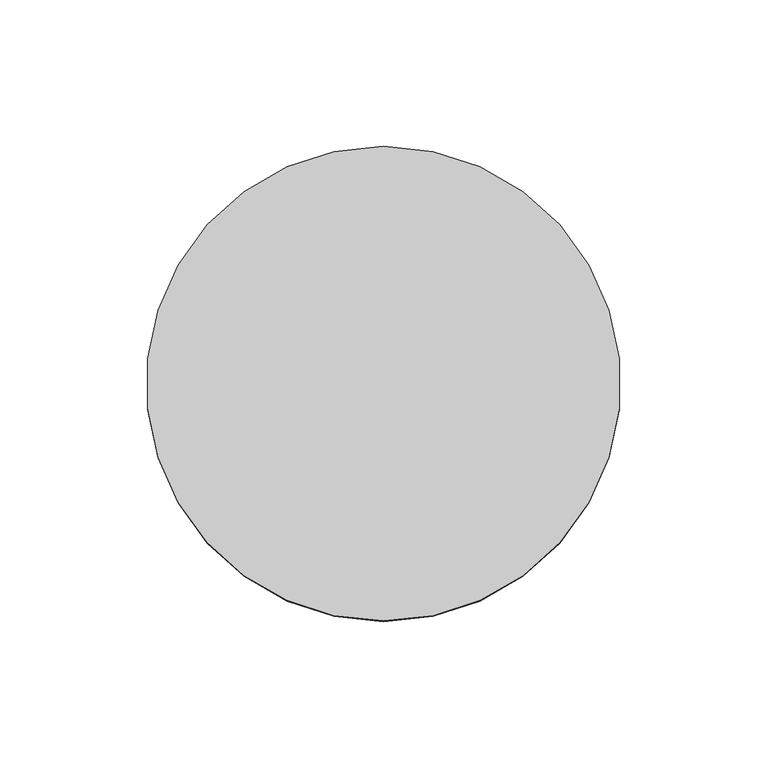
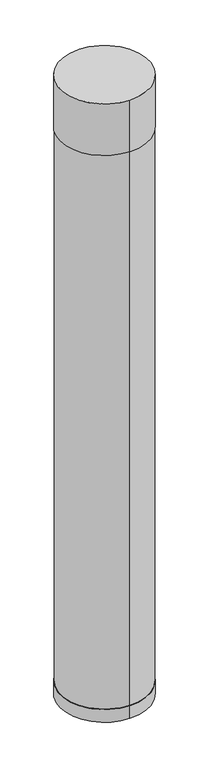
"""IFC4 building model written with IfcOpenShell, lengths in millimetres: light fixture geometry."""

import ifcopenshell
import ifcopenshell.guid

model = None  # the IFC model being written
_history = None  # IfcOwnerHistory: only IFC2X3 demands one
_inside = {}  # id of a spatial element -> (the spatial element, [elements in it])
_under = {}  # id of a project, library or spatial element -> (it, [spatial elements below it])
_declared = {}  # id of a project -> (the project, [libraries it declares])
_typed = {}  # id of a type object -> (the type object, [elements of that type])
_made_of = {}  # id of a material, layer set ... -> (it, [elements and type objects made of it])


def new_model(schema):
    """Start an empty IFC model of exactly this schema.

    Asked for "IFC4X3", IfcOpenShell would pick the latest addendum, in which some entities
    have other attributes; the version numbers below select the first issue.
    IFC2X3 requires an IfcOwnerHistory on every rooted entity: one is made here for all.
    """
    global model, _history
    if schema == "IFC4X3":
        model = ifcopenshell.file(schema_version=(4, 3, 0, 0))
    else:
        model = ifcopenshell.file(schema=schema)
    _inside.clear()
    _under.clear()
    _declared.clear()
    _typed.clear()
    _made_of.clear()
    _history = None
    if model.schema == "IFC2X3":
        org = make("IfcOrganization", Name="unknown")
        user = make(
            "IfcPersonAndOrganization",
            ThePerson=make("IfcPerson", FamilyName="unknown"),
            TheOrganization=org,
        )
        app = make(
            "IfcApplication",
            ApplicationDeveloper=org,
            Version="unknown",
            ApplicationFullName="unknown",
            ApplicationIdentifier="unknown",
        )
        _history = make(
            "IfcOwnerHistory",
            OwningUser=user,
            OwningApplication=app,
            ChangeAction="ADDED",
            CreationDate=0,
        )
    return model


def make(cls, **values):
    """One entity of the class cls with the attributes given. An attribute that is None is left unset."""
    return model.create_entity(
        cls, **{name: value for name, value in values.items() if value is not None}
    )


def rooted(cls, **values):
    """An entity with a GlobalId (a new one), such as an element, a storey or a relation."""
    return make(cls, GlobalId=ifcopenshell.guid.new(), OwnerHistory=_history, **values)


def si_unit(unit_type, name, prefix=None):
    """IfcSIUnit, for example si_unit("LENGTHUNIT", "METRE", prefix="MILLI")."""
    return make("IfcSIUnit", UnitType=unit_type, Prefix=prefix, Name=name)


def assignment(units):
    """IfcUnitAssignment: the units of a project."""
    return None if units is None else make("IfcUnitAssignment", Units=units)


def point(xyz):
    """IfcCartesianPoint."""
    return None if xyz is None else make("IfcCartesianPoint", Coordinates=xyz)


def direction(xyz):
    """IfcDirection."""
    return None if xyz is None else make("IfcDirection", DirectionRatios=xyz)


def frame(location, z_axis=None, x_axis=None):
    """IfcAxis2Placement3D, a coordinate frame: its origin and axes. An axis left out is left unset."""
    return make(
        "IfcAxis2Placement3D",
        Location=point(location),
        Axis=direction(z_axis),
        RefDirection=direction(x_axis),
    )


def frame_2d(location, x_axis=None):
    """IfcAxis2Placement2D, a coordinate frame in the plane: its origin and x axis."""
    return make(
        "IfcAxis2Placement2D", Location=point(location), RefDirection=direction(x_axis)
    )


def origin():
    """The frame at (0, 0, 0) with its axes left unset."""
    return frame((0.0, 0.0, 0.0))


def origin_2d():
    """The frame at (0, 0) in the plane with its x axis left unset."""
    return frame_2d((0.0, 0.0))


def place(relative_to, where):
    """IfcLocalPlacement: puts the frame where relative to a parent placement (None: the world)."""
    return make(
        "IfcLocalPlacement", PlacementRelTo=relative_to, RelativePlacement=where
    )


def context(
    kind, dimensions, precision=None, world=None, true_north=None, identifier=None
):
    """IfcGeometricRepresentationContext, for example the 3D "Model" context."""
    return make(
        "IfcGeometricRepresentationContext",
        ContextIdentifier=identifier,
        ContextType=kind,
        CoordinateSpaceDimension=dimensions,
        Precision=precision,
        WorldCoordinateSystem=world,
        TrueNorth=true_north,
    )


def project(units=None, contexts=None):
    """IfcProject with its units and contexts."""
    return rooted(
        "IfcProject",
        Name="project",
        RepresentationContexts=contexts,
        UnitsInContext=assignment(units),
    )


def spatial(cls, under=None, at=None, **own):
    """A site, building, storey or space (cls), placed at a placement, below another one or the project."""
    s = rooted(cls, ObjectPlacement=at, **own)
    if under is not None:
        _under.setdefault(under.id(), (under, []))[1].append(s)
    return s


def circle_curve(where, radius):
    """IfcCircle in the frame where."""
    return make("IfcCircle", Position=where, Radius=radius)


def trimmed(basis, trim1, trim2, sense, master):
    """IfcTrimmedCurve: the piece of a basis curve between two trims."""
    return make(
        "IfcTrimmedCurve",
        BasisCurve=basis,
        Trim1=trim1,
        Trim2=trim2,
        SenseAgreement=sense,
        MasterRepresentation=master,
    )


def segment(curve, same_sense, transition):
    """IfcCompositeCurveSegment."""
    return make(
        "IfcCompositeCurveSegment",
        Transition=transition,
        SameSense=same_sense,
        ParentCurve=curve,
    )


def composite_curve(segments, self_intersect=None):
    """IfcCompositeCurve: segments joined end to end."""
    return make("IfcCompositeCurve", Segments=segments, SelfIntersect=self_intersect)


def outline(outer, holes=None, kind="AREA"):
    """IfcArbitraryClosedProfileDef: a profile drawn as a closed curve; with holes, ...WithVoids."""
    if holes is None:
        return make("IfcArbitraryClosedProfileDef", ProfileType=kind, OuterCurve=outer)
    return make(
        "IfcArbitraryProfileDefWithVoids",
        ProfileType=kind,
        OuterCurve=outer,
        InnerCurves=holes,
    )


def extrude(swept, where, along, depth):
    """IfcExtrudedAreaSolid: the profile swept, set in the frame where, extruded along a direction by depth."""
    return make(
        "IfcExtrudedAreaSolid",
        SweptArea=swept,
        Position=where,
        ExtrudedDirection=direction(along),
        Depth=depth,
    )


def shape(context_of_items, identifier, shape_type, items):
    """IfcShapeRepresentation: the items that make up one representation, for example the "Body"."""
    return make(
        "IfcShapeRepresentation",
        ContextOfItems=context_of_items,
        RepresentationIdentifier=identifier,
        RepresentationType=shape_type,
        Items=items,
    )


def source(mapping_origin, context_of_items, identifier, shape_type, items):
    """IfcRepresentationMap: a shape defined once, which mapped items show again and again."""
    return make(
        "IfcRepresentationMap",
        MappingOrigin=mapping_origin,
        MappedRepresentation=shape(context_of_items, identifier, shape_type, items),
    )


def transform(
    local_origin,
    x_axis=None,
    y_axis=None,
    z_axis=None,
    scale=None,
    scale2=None,
    scale3=None,
    uniform=True,
):
    """IfcCartesianTransformationOperator3D, or its non-uniform kind. x_axis, y_axis, z_axis: its Axis1, 2, 3."""
    if uniform:
        return make(
            "IfcCartesianTransformationOperator3D",
            Axis1=direction(x_axis),
            Axis2=direction(y_axis),
            LocalOrigin=point(local_origin),
            Scale=scale,
            Axis3=direction(z_axis),
        )
    return make(
        "IfcCartesianTransformationOperator3DnonUniform",
        Axis1=direction(x_axis),
        Axis2=direction(y_axis),
        LocalOrigin=point(local_origin),
        Scale=scale,
        Axis3=direction(z_axis),
        Scale2=scale2,
        Scale3=scale3,
    )


def mapped(mapping_source, mapping_target):
    """IfcMappedItem: shows the shape of a source again, moved by a transform."""
    return make(
        "IfcMappedItem", MappingSource=mapping_source, MappingTarget=mapping_target
    )


def made_of(thing, what):
    """Note that an element or type object is made of a material, layer set ...; save() writes the relation."""
    if what is not None:
        _made_of.setdefault(what.id(), (what, []))[1].append(thing)
    return thing


def element(
    cls,
    number,
    at=None,
    inside=None,
    cuts=None,
    type_object=None,
    material=None,
    context=None,
    identifier="Body",
    shape_type=None,
    held_by="IfcProductDefinitionShape",
    body=None,
    shapes=None,
    **own,
):
    """One element of the class cls, such as IfcWall. Its Tag is "e" and its number.

    at: its placement. inside: the storey or other place that contains it. cuts: it is an
    opening in that element (IfcRelVoidsElement). A single representation is given by context,
    identifier, shape_type and body (its items); several are given by shapes. held_by: the class
    of the entity that holds the representations. save() writes the other relations.
    """
    e = rooted(cls, Tag="e%d" % number, ObjectPlacement=at, **own)
    if body is not None:
        shapes = [shape(context, identifier, shape_type, body)]
    if shapes is not None:
        e.Representation = make(held_by, Representations=shapes)
    if inside is not None:
        _inside.setdefault(inside.id(), (inside, []))[1].append(e)
    if cuts is not None:
        rooted(
            "IfcRelVoidsElement", RelatingBuildingElement=cuts, RelatedOpeningElement=e
        )
    if type_object is not None:
        _typed.setdefault(type_object.id(), (type_object, []))[1].append(e)
    return made_of(e, material)


def aggregate(whole, parts):
    """IfcRelAggregates: a whole, such as a stair, and the parts it consists of."""
    return rooted("IfcRelAggregates", RelatingObject=whole, RelatedObjects=parts)


def save(model, path):
    """Write the relations noted so far, then the file.

    IfcRelAggregates (storeys below a building ...), IfcRelContainedInSpatialStructure (elements
    in a storey), IfcRelDefinesByType, IfcRelAssociatesMaterial and IfcRelDeclares: one each for
    every whole, place, type object, material and project.
    """
    for whole, parts in _under.values():
        aggregate(whole, parts)
    for where, things in _inside.values():
        rooted(
            "IfcRelContainedInSpatialStructure",
            RelatedElements=things,
            RelatingStructure=where,
        )
    for kind, things in _typed.values():
        rooted("IfcRelDefinesByType", RelatedObjects=things, RelatingType=kind)
    for what, things in _made_of.values():
        rooted("IfcRelAssociatesMaterial", RelatedObjects=things, RelatingMaterial=what)
    for by, libraries in _declared.values():
        rooted("IfcRelDeclares", RelatingContext=by, RelatedDefinitions=libraries)
    model.write(path)


def light_fixture_a78f6901(model_context):
    return source(origin(), model_context, "Body", "SweptSolid", [
        extrude(outline(composite_curve([segment(trimmed(circle_curve(origin_2d(), 81.0), [point((0.0, -81.0))], [point((0.0, 81.0))], False, "CARTESIAN"), True, "CONTINUOUS"), segment(trimmed(circle_curve(origin_2d(), 81.0), [point((0.0, 81.0))], [point((0.0, -81.0))], False, "CARTESIAN"), True, "CONTINUOUS")], self_intersect=False)), frame((0.0, 0.0, 2100.0), z_axis=(0.0, 0.0, 1.0), x_axis=(1.0, 0.0, 0.0)), (0.0, 0.0, 1.0), 100.0),
        extrude(outline(composite_curve([segment(trimmed(circle_curve(origin_2d(), 80.0), [point((0.0, -80.0))], [point((0.0, 80.0))], False, "CARTESIAN"), True, "CONTINUOUS"), segment(trimmed(circle_curve(origin_2d(), 80.0), [point((0.0, 80.0))], [point((0.0, -80.0))], False, "CARTESIAN"), True, "CONTINUOUS")], self_intersect=False), holes=[composite_curve([segment(trimmed(circle_curve(origin_2d(), 77.7231434), [point((0.0, -77.7231434))], [point((0.0, 77.7231434))], True, "CARTESIAN"), True, "CONTINUOUS"), segment(trimmed(circle_curve(origin_2d(), 77.7231434), [point((0.0, 77.7231434))], [point((0.0, -77.7231434))], True, "CARTESIAN"), True, "CONTINUOUS")], self_intersect=False)]), frame((0.0, 0.0, 1025.0), z_axis=(0.0, 0.0, 1.0), x_axis=(1.0, 0.0, 0.0)), (0.0, 0.0, 1.0), 1075.0),
        extrude(outline(composite_curve([segment(trimmed(circle_curve(origin_2d(), 81.0), [point((0.0, -81.0))], [point((0.0, 81.0))], False, "CARTESIAN"), True, "CONTINUOUS"), segment(trimmed(circle_curve(origin_2d(), 81.0), [point((0.0, 81.0))], [point((0.0, -81.0))], False, "CARTESIAN"), True, "CONTINUOUS")], self_intersect=False)), frame((0.0, 0.0, 1000.0), z_axis=(0.0, 0.0, 1.0), x_axis=(1.0, 0.0, 0.0)), (0.0, 0.0, 1.0), 25.0),
    ])


if __name__ == "__main__":
    model = new_model("IFC4")
    model_context = context("Model", 3, world=origin())
    ifc_project = project(units=[si_unit("LENGTHUNIT", "METRE", prefix="MILLI")], contexts=[model_context])
    site = spatial("IfcSite", under=ifc_project)
    building = spatial("IfcBuilding", under=site)
    placement = place(None, origin())
    light_fixture_shape = light_fixture_a78f6901(model_context)
    element("IfcLightFixture", 1, at=placement, inside=building, context=model_context, shape_type="MappedRepresentation", body=[
        mapped(light_fixture_shape, transform((0.0, 0.0, 0.0), x_axis=(1.0, 0.0, 0.0), y_axis=(0.0, 1.0, 0.0), z_axis=(0.0, 0.0, 1.0))),
    ])
    save(model, "model.ifc")
